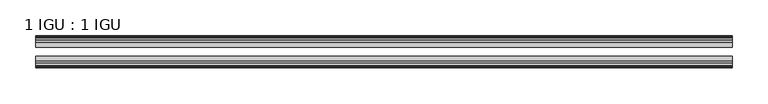
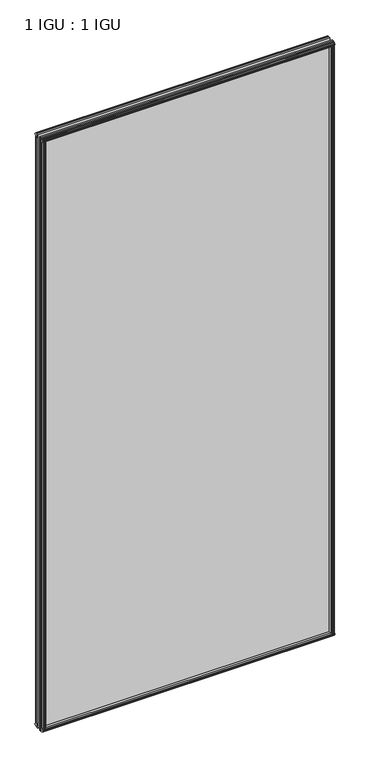
"""IFC4 building model written with IfcOpenShell, lengths in millimetres: plate geometry, 1 IGU : 1 IGU."""

from ifc_helpers import new_model, si_unit, frame, origin, origin_with_axes, place, context, project, spatial, polyline, outline, extrude, source, transform, mapped, element, save


def plate_1_igu_1_igu_ee2d2b8d(model_context):
    return source(origin(), model_context, "Body", "SweptSolid", [
        extrude(outline(polyline([(474.6283015, -19.5460937), (476.7335786, -13.1960937), (481.940773, -13.1960937), (482.321773, -10.8158968), (480.906244, -11.27583), (480.906244, -10.4746158), (483.083773, -9.7670937), (485.2613021, -10.4746158), (485.2613021, -11.27583), (483.845773, -10.8158968), (484.226773, -13.1960937), (488.671773, -13.1960937), (488.671773, -16.1419073), (486.4586955, -19.5460937), (474.6283015, -19.5460937)])), origin_with_axes(), (0.0, 0.0, 1.0), 2070.1),
        extrude(outline(polyline([(-474.6283015, -19.5460937), (-486.4586955, -19.5460937), (-488.671773, -16.1419073), (-488.671773, -13.1960937), (-484.226773, -13.1960937), (-483.845773, -10.8158968), (-485.2613021, -11.27583), (-485.2613021, -10.4746158), (-483.083773, -9.7670937), (-480.906244, -10.4746158), (-480.906244, -11.27583), (-482.321773, -10.8158968), (-481.940773, -13.1960937), (-476.7335786, -13.1960937), (-474.6283015, -19.5460937)])), origin_with_axes(), (0.0, 0.0, 1.0), 2070.1),
        extrude(outline(polyline([(-16.1419073, -12.4576852), (-19.5460937, -10.2446077), (-19.5460937, 1.5857863), (-13.1960937, -0.5194908), (-13.1960937, -5.7266852), (-10.8158968, -6.1076852), (-11.27583, -4.6921562), (-10.4746158, -4.6921562), (-9.7670937, -6.8696852), (-10.4746158, -9.0472143), (-11.27583, -9.0472143), (-10.8158968, -7.6316852), (-13.1960937, -8.0126852), (-13.1960937, -12.4576852), (-16.1419073, -12.4576852)])), frame((-488.9140878, 0.0, 0.0), z_axis=(1.0, 0.0, 0.0), x_axis=(0.0, 1.0, 0.0)), (0.0, 0.0, 1.0), 977.8281756),
        extrude(outline(polyline([(-48.3502802, -11.938), (-51.2960937, -11.938), (-51.2960937, -7.493), (-53.6762907, -7.112), (-53.2163575, -8.5275291), (-54.0175717, -8.5275291), (-54.7250937, -6.35), (-54.0175717, -4.172471), (-53.2163575, -4.172471), (-53.6762907, -5.588), (-51.2960937, -5.207), (-51.2960937, 0.0001944), (-44.9460937, 2.1054715), (-44.9460937, -9.7249225), (-48.3502802, -11.938)])), frame((-488.9140878, 0.0, 0.0), z_axis=(1.0, 0.0, 0.0), x_axis=(0.0, 1.0, 0.0)), (0.0, 0.0, 1.0), 977.8281756),
        extrude(outline(polyline([(-16.1028367, 2082.5576852), (-13.1960937, 2082.5576852), (-13.1960937, 2078.1126852), (-10.8158968, 2077.7316852), (-11.27583, 2079.1472143), (-10.4746158, 2079.1472143), (-9.7670937, 2076.9696852), (-10.4746158, 2074.7921562), (-11.27583, 2074.7921562), (-10.8158968, 2076.2076852), (-13.1960937, 2075.8266852), (-13.1960937, 2070.5940908), (-19.5460937, 2068.4888137), (-19.5460937, 2080.3192077), (-16.1028367, 2082.5576852)])), frame((-488.9140878, 0.0, 0.0), z_axis=(1.0, 0.0, 0.0), x_axis=(0.0, 1.0, 0.0)), (0.0, 0.0, 1.0), 977.8281756),
        extrude(outline(polyline([(-48.3893508, 2082.0126), (-44.9460937, 2079.7741225), (-44.9460937, 2067.9437285), (-51.2960937, 2070.0490056), (-51.2960937, 2075.2816), (-53.6762907, 2075.6626), (-53.2163575, 2074.2470709), (-54.0175717, 2074.2470709), (-54.7250938, 2076.4246), (-54.0175717, 2078.602129), (-53.2163575, 2078.602129), (-53.6762907, 2077.1866), (-51.2960937, 2077.5676), (-51.2960937, 2082.0126), (-48.3893508, 2082.0126)])), frame((-488.9140878, 0.0, 0.0), z_axis=(1.0, 0.0, 0.0), x_axis=(0.0, 1.0, 0.0)), (0.0, 0.0, 1.0), 977.8281756),
        extrude(outline(polyline([(-474.1086163, -44.9460938), (-476.2138934, -51.2960938), (-481.4210878, -51.2960938), (-481.8020878, -53.6762907), (-480.3865587, -53.2163575), (-480.3865587, -54.0175717), (-482.5640878, -54.7250938), (-484.7416168, -54.0175717), (-484.7416168, -53.2163575), (-483.3260878, -53.6762907), (-483.7070878, -51.2960938), (-488.1520878, -51.2960938), (-488.1520878, -48.3502802), (-485.9390103, -44.9460938), (-474.1086163, -44.9460938)])), origin_with_axes(), (0.0, 0.0, 1.0), 2070.1),
        extrude(outline(polyline([(474.1086163, -44.9460938), (485.9390103, -44.9460938), (488.1520878, -48.3502802), (488.1520878, -51.2960938), (483.7070878, -51.2960938), (483.3260878, -53.6762907), (484.7416168, -53.2163575), (484.7416168, -54.0175717), (482.5640878, -54.7250938), (480.3865587, -54.0175717), (480.3865587, -53.2163575), (481.8020878, -53.6762907), (481.4210878, -51.2960938), (476.2138934, -51.2960938), (474.1086163, -44.9460938)])), origin_with_axes(), (0.0, 0.0, 1.0), 2070.1),
        extrude(outline(polyline([(488.9140878, -19.5460937), (488.9140878, -25.8337453), (-488.9140878, -25.8337453), (-488.9140878, -19.5460937), (488.9140878, -19.5460937)])), frame((0.0, 0.0, -12.7), z_axis=(0.0, 0.0, 1.0), x_axis=(1.0, 0.0, 0.0)), (0.0, 0.0, 1.0), 2095.4872998),
        extrude(outline(polyline([(-488.9140878, -44.9460937), (-488.9140878, -38.6468938), (488.9140878, -38.6468938), (488.9140878, -44.9460937), (-488.9140878, -44.9460937)])), frame((0.0, 0.0, -12.7), z_axis=(0.0, 0.0, 1.0), x_axis=(1.0, 0.0, 0.0)), (0.0, 0.0, 1.0), 2095.4872998),
    ])


if __name__ == "__main__":
    model = new_model("IFC4")
    model_context = context("Model", 3, world=origin())
    ifc_project = project(units=[si_unit("LENGTHUNIT", "METRE", prefix="MILLI")], contexts=[model_context])
    site = spatial("IfcSite", under=ifc_project)
    building = spatial("IfcBuilding", under=site)
    placement = place(None, origin())
    plate_1_igu_1_igu_shape = plate_1_igu_1_igu_ee2d2b8d(model_context)
    element("IfcPlate", 1, ObjectType="1 IGU : 1 IGU", at=placement, inside=building, context=model_context, shape_type="MappedRepresentation", body=[
        mapped(plate_1_igu_1_igu_shape, transform((0.0, 0.0, 0.0), x_axis=(1.0, 0.0, 0.0), y_axis=(0.0, 1.0, 0.0), z_axis=(0.0, 0.0, 1.0))),
    ])
    save(model, "model.ifc")
